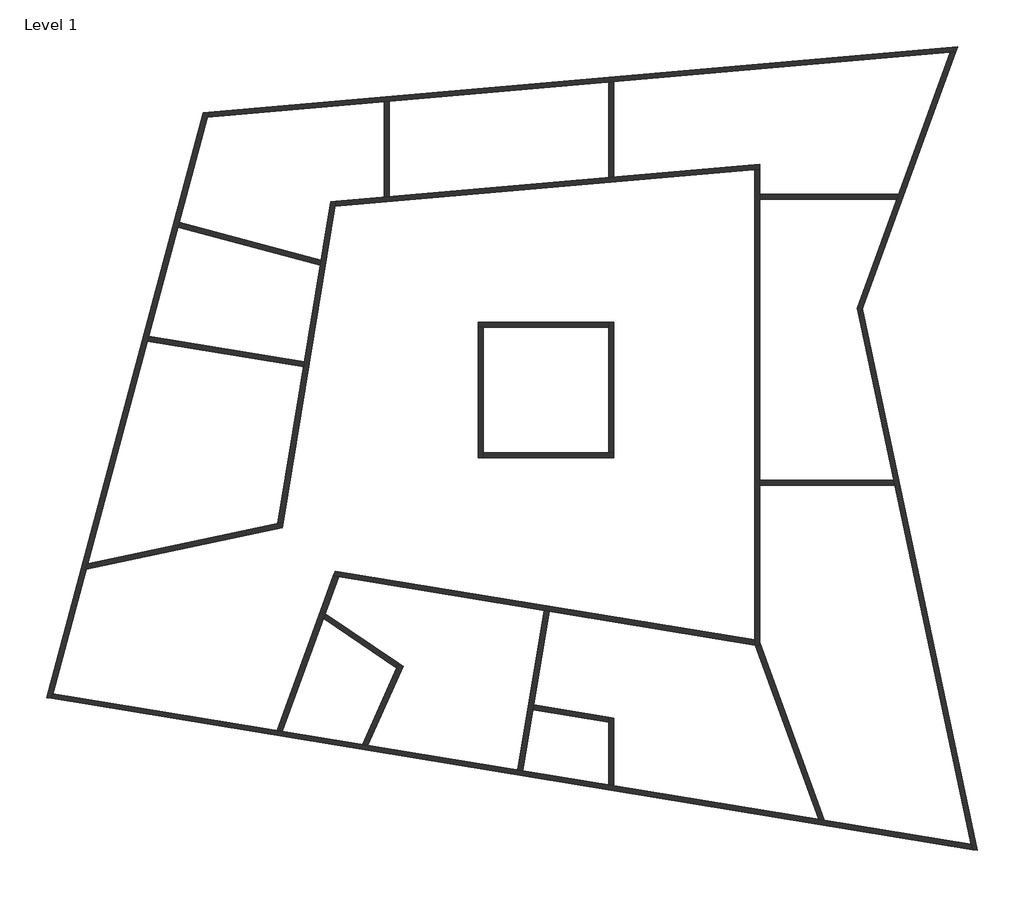
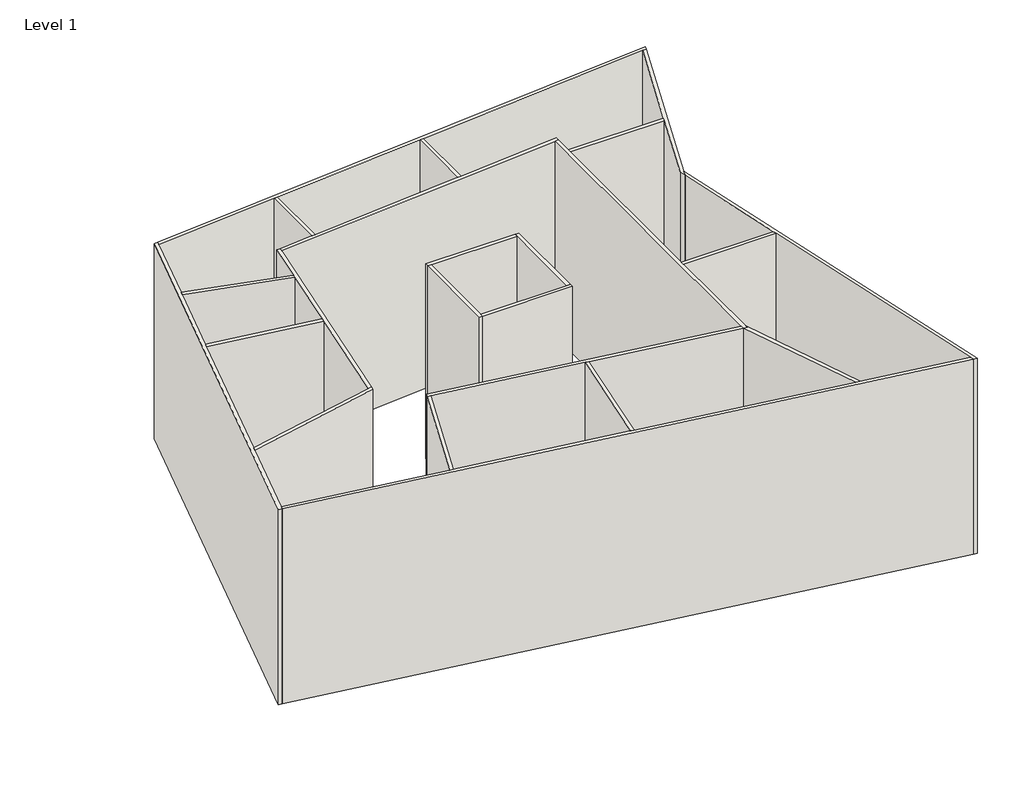
# One storey: 27 walls.
"""IFC4 building model written with IfcOpenShell, lengths in millimetres."""

from ifc_helpers import new_model, si_unit, origin, origin_with_axes, place, context, project, spatial, polyline, outline, extrude, faceted_brep, element, save

model = new_model("IFC4")

# Units and contexts
model_context = context("Model", 3, world=origin())
ifc_project = project(units=[si_unit("LENGTHUNIT", "METRE", prefix="MILLI")], contexts=[model_context])

# Site, building, storey
site = spatial("IfcSite", under=ifc_project)
building = spatial("IfcBuilding", under=site)
storey = spatial("IfcBuildingStorey", under=building, Name="Level 1", Elevation=0.0)

# Walls
placement = place(None, origin())
element("IfcWall", 1, ObjectType="Generic - 200mm", at=placement, inside=storey, context=model_context, shape_type="Brep", body=[
    faceted_brep([(-15740.1219298, -6609.067474, 0.0), (-15688.1029352, -6414.9299434, 0.0), (-14358.0065541, -1450.94267, 0.0), (-14299.910673, -1234.1258903, 0.0), (-11918.367673, 7653.9135862, 0.0), (-11866.3486785, 7848.0511167, 0.0), (-10697.9935126, 12208.4119573, 0.0), (-10646.2297035, 12401.5971226, 0.0), (-9523.1511787, 16592.9832383, 0.0), (-9468.0652837, 16798.5665971, 0.0), (-9468.0652837, 16798.5665971, 12000.0), (-9523.1511787, 16592.9832383, 12000.0), (-10646.2297035, 12401.5971226, 12000.0), (-10697.9935126, 12208.4119573, 12000.0), (-11866.3486785, 7848.0511167, 12000.0), (-11918.367673, 7653.9135862, 12000.0), (-14299.910673, -1234.1258903, 12000.0), (-14358.0065541, -1450.94267, 12000.0), (-15688.1029352, -6414.9299434, 12000.0), (-15740.1219298, -6609.067474, 12000.0), (-15938.453343, -6576.5097239, 0.0), (-15938.453343, -6576.5097239, 12000.0), (-9680.0909346, 16780.0167563, 12000.0), (-9680.0909346, 16780.0167563, 0.0)], [[[0, 1, 2, 3, 4, 5, 6, 7, 8, 9, 10, 11, 12, 13, 14, 15, 16, 17, 18, 19]], [[20, 21, 22, 23]], [[9, 8, 7, 6, 5, 4, 3, 2, 1, 0, 20, 23]], [[19, 18, 17, 16, 15, 14, 13, 12, 11, 10, 22, 21]], [[10, 9, 23, 22]], [[0, 19, 21, 20]]]),
])
element("IfcWall", 2, ObjectType="Generic - 200mm", at=placement, inside=storey, context=model_context, shape_type="Brep", body=[
    faceted_brep([(-9523.1511787, 16592.9832383, 0.0), (-2450.0877828, 17211.7961018, 0.0), (-2250.0877828, 17229.2938345, 0.0), (6496.245266, 17994.4988237, 0.0), (6696.245266, 18011.9965564, 0.0), (20136.5642154, 19187.8720987, 0.0), (20356.400062, 19207.1052431, 0.0), (20356.400062, 19207.1052431, 12000.0), (20136.5642154, 19187.8720987, 12000.0), (6696.245266, 18011.9965564, 12000.0), (6496.245266, 17994.4988237, 12000.0), (-2250.0877828, 17229.2938345, 12000.0), (-2450.0877828, 17211.7961018, 12000.0), (-9523.1511787, 16592.9832383, 12000.0), (-9468.0652837, 16798.5665971, 0.0), (-9468.0652837, 16798.5665971, 12000.0), (20431.8755568, 19414.4724608, 12000.0), (20431.8755568, 19414.4724608, 0.0)], [[[0, 1, 2, 3, 4, 5, 6, 7, 8, 9, 10, 11, 12, 13]], [[14, 15, 16, 17]], [[6, 5, 4, 3, 2, 1, 0, 14, 17]], [[13, 12, 11, 10, 9, 8, 7, 16, 15]], [[0, 13, 15, 14]], [[7, 6, 17, 16]]]),
])
element("IfcWall", 3, ObjectType="Generic - 200mm", at=placement, inside=storey, context=model_context, shape_type="Brep", body=[
    faceted_brep([(20136.5642154, 19187.8720987, 0.0), (18070.8740348, 13512.4349719, 0.0), (17998.0799879, 13312.4349719, 0.0), (16418.2217776, 8971.8102131, 0.0), (16418.2217776, 8971.8102131, 12000.0), (17998.0799879, 13312.4349719, 12000.0), (18070.8740348, 13512.4349719, 12000.0), (20136.5642154, 19187.8720987, 12000.0), (20356.400062, 19207.1052431, 0.0), (20356.400062, 19207.1052431, 12000.0), (16625.7748414, 8957.296689, 12000.0), (16496.6909728, 8602.6416749, 12000.0), (16496.6909728, 8602.6416749, 0.0), (16625.7748414, 8957.296689, 0.0)], [[[0, 1, 2, 3, 4, 5, 6, 7]], [[8, 9, 10, 11, 12, 13]], [[3, 2, 1, 0, 8, 13, 12]], [[7, 6, 5, 4, 11, 10, 9]], [[0, 7, 9, 8]], [[4, 3, 12, 11]]]),
])
element("IfcWall", 4, ObjectType="Generic - 200mm", at=placement, inside=storey, context=model_context, shape_type="Brep", body=[
    faceted_brep([(16496.6909728, 8602.6416749, 0.0), (17877.7531211, 2105.2551088, 0.0), (17920.2644335, 1905.2551088, 0.0), (20967.8063076, -12432.3021524, 0.0), (21012.4441537, -12642.3067068, 0.0), (21012.4441537, -12642.3067068, 12000.0), (20967.8063076, -12432.3021524, 12000.0), (17920.2644335, 1905.2551088, 12000.0), (17877.7531211, 2105.2551088, 12000.0), (16496.6909728, 8602.6416749, 12000.0), (16625.7748414, 8957.296689, 0.0), (16625.7748414, 8957.296689, 12000.0), (21224.3047074, -12677.0853778, 12000.0), (21224.3047074, -12677.0853778, 0.0)], [[[0, 1, 2, 3, 4, 5, 6, 7, 8, 9]], [[10, 11, 12, 13]], [[4, 3, 2, 1, 0, 10, 13]], [[9, 8, 7, 6, 5, 12, 11]], [[0, 9, 11, 10]], [[5, 4, 13, 12]]]),
])
element("IfcWall", 5, ObjectType="Generic - 200mm", at=placement, inside=storey, context=model_context, shape_type="Brep", body=[
    faceted_brep([(20967.8063076, -12432.3021524, 0.0), (15110.2637301, -11470.7378467, 0.0), (14883.9034332, -11433.5789223, 0.0), (6713.7756942, -10092.3845388, 0.0), (6513.7756942, -10059.5528763, 0.0), (3077.5221736, -9495.4632966, 0.0), (2880.1636993, -9463.0652625, 0.0), (-3110.0942162, -8479.7146309, 0.0), (-3314.1103433, -8446.2236877, 0.0), (-6527.1548024, -7918.7757309, 0.0), (-6727.9906671, -7885.8068543, 0.0), (-15688.1029352, -6414.9299434, 0.0), (-15688.1029352, -6414.9299434, 12000.0), (-6727.9906671, -7885.8068543, 12000.0), (-6527.1548024, -7918.7757309, 12000.0), (2880.1636993, -9463.0652625, 12000.0), (3077.5221736, -9495.4632966, 12000.0), (14883.9034332, -11433.5789223, 12000.0), (15110.2637301, -11470.7378467, 12000.0), (20967.8063076, -12432.3021524, 12000.0), (21012.4441537, -12642.3067068, 0.0), (21012.4441537, -12642.3067068, 12000.0), (-15740.1219298, -6609.067474, 12000.0), (-15740.1219298, -6609.067474, 0.0)], [[[0, 1, 2, 3, 4, 5, 6, 7, 8, 9, 10, 11, 12, 13, 14, 15, 16, 17, 18, 19]], [[20, 21, 22, 23]], [[11, 10, 9, 8, 7, 6, 5, 4, 3, 2, 1, 0, 20, 23]], [[19, 18, 17, 16, 15, 14, 13, 12, 22, 21]], [[12, 11, 23, 22]], [[0, 19, 21, 20]]]),
])
element("IfcWall", 6, ObjectType="Generic - 200mm", at=placement, inside=storey, context=model_context, shape_type="Brep", body=[
    faceted_brep([(-14358.0065541, -1450.94267, 0.0), (-6525.9449376, 213.813418, 0.0), (-6525.9449376, 213.813418, 12000.0), (-14358.0065541, -1450.94267, 12000.0), (-14299.910673, -1234.1258903, 0.0), (-14299.910673, -1234.1258903, 12000.0), (-6701.1708211, 381.0361257, 12000.0), (-6491.1662666, 425.6739717, 12000.0), (-6491.1662666, 425.6739717, 0.0), (-6701.1708211, 381.0361257, 0.0)], [[[0, 1, 2, 3]], [[4, 5, 6, 7, 8, 9]], [[1, 0, 4, 9, 8]], [[3, 2, 7, 6, 5]], [[0, 3, 5, 4]], [[2, 1, 8, 7]]]),
])
element("IfcWall", 7, ObjectType="Generic - 200mm", at=placement, inside=storey, context=model_context, shape_type="Brep", body=[
    faceted_brep([(-6491.1662666, 425.6739717, 0.0), (-4421.5892418, 13032.8760794, 0.0), (-4388.1519414, 13236.5654316, 0.0), (-4388.1519414, 13236.5654316, 12000.0), (-4421.5892418, 13032.8760794, 12000.0), (-6491.1662666, 425.6739717, 12000.0), (-6701.1708211, 381.0361257, 0.0), (-6701.1708211, 381.0361257, 12000.0), (-5675.5000245, 6629.0949671, 12000.0), (-5643.1019904, 6826.4534414, 12000.0), (-5009.809711, 10684.2677013, 12000.0), (-4977.2519609, 10882.5991145, 12000.0), (-4593.7820806, 13218.5751256, 12000.0), (-4593.7820806, 13218.5751256, 0.0), (-4977.2519609, 10882.5991145, 0.0), (-5009.809711, 10684.2677013, 0.0), (-5643.1019904, 6826.4534414, 0.0), (-5675.5000245, 6629.0949671, 0.0)], [[[0, 1, 2, 3, 4, 5]], [[6, 7, 8, 9, 10, 11, 12, 13, 14, 15, 16, 17]], [[2, 1, 0, 6, 17, 16, 15, 14, 13]], [[5, 4, 3, 12, 11, 10, 9, 8, 7]], [[0, 5, 7, 6]], [[3, 2, 13, 12]]]),
])
element("IfcWall", 8, ObjectType="Generic - 200mm", at=placement, inside=storey, context=model_context, shape_type="Brep", body=[
    faceted_brep([(-4421.5892418, 13032.8760794, 0.0), (12327.6242064, 14498.2423791, 0.0), (12527.6242064, 14515.7401118, 0.0), (12527.6242064, 14515.7401118, 12000.0), (12327.6242064, 14498.2423791, 12000.0), (-4421.5892418, 13032.8760794, 12000.0), (-4388.1519414, 13236.5654316, 0.0), (-4388.1519414, 13236.5654316, 12000.0), (-2450.0877828, 13406.1240747, 12000.0), (-2250.0877828, 13423.6218074, 12000.0), (6496.245266, 14188.8267966, 12000.0), (6696.245266, 14206.3245293, 12000.0), (12527.6242064, 14716.5040793, 12000.0), (12527.6242064, 14716.5040793, 0.0), (6696.245266, 14206.3245293, 0.0), (6496.245266, 14188.8267966, 0.0), (-2250.0877828, 13423.6218074, 0.0), (-2450.0877828, 13406.1240747, 0.0)], [[[0, 1, 2, 3, 4, 5]], [[6, 7, 8, 9, 10, 11, 12, 13, 14, 15, 16, 17]], [[2, 1, 0, 6, 17, 16, 15, 14, 13]], [[5, 4, 3, 12, 11, 10, 9, 8, 7]], [[0, 5, 7, 6]], [[3, 2, 13, 12]]]),
])
element("IfcWall", 9, ObjectType="Generic - 200mm", at=placement, inside=storey, context=model_context, shape_type="Brep", body=[
    faceted_brep([(12327.6242064, 14498.2423791, 0.0), (12327.6242064, -4274.8724991, 0.0), (12327.6242064, -4477.54938, 0.0), (12327.6242064, -4477.54938, 12000.0), (12327.6242064, -4274.8724991, 12000.0), (12327.6242064, 14498.2423791, 12000.0), (12527.6242064, 14515.7401118, 0.0), (12527.6242064, 14515.7401118, 12000.0), (12527.6242064, 13512.4349719, 12000.0), (12527.6242064, 13312.4349719, 12000.0), (12527.6242064, 2105.2551088, 12000.0), (12527.6242064, 1905.2551088, 12000.0), (12527.6242064, -4374.9940727, 12000.0), (12527.6242064, -4510.3810425, 12000.0), (12527.6242064, -4510.3810425, 0.0), (12527.6242064, -4374.9940727, 0.0), (12527.6242064, 1905.2551088, 0.0), (12527.6242064, 2105.2551088, 0.0), (12527.6242064, 13312.4349719, 0.0), (12527.6242064, 13512.4349719, 0.0), (12353.6720574, -4481.8253513, 0.0), (12353.6720574, -4481.8253513, 12000.0)], [[[0, 1, 2, 3, 4, 5]], [[6, 7, 8, 9, 10, 11, 12, 13, 14, 15, 16, 17, 18, 19]], [[2, 1, 0, 6, 19, 18, 17, 16, 15, 14, 20]], [[5, 4, 3, 21, 13, 12, 11, 10, 9, 8, 7]], [[0, 5, 7, 6]], [[3, 2, 20, 14, 13, 21]]]),
])
element("IfcWall", 10, ObjectType="Generic - 200mm", at=placement, inside=storey, context=model_context, shape_type="Brep", body=[
    faceted_brep([(12327.6242064, -4274.8724991, 0.0), (-4413.4594006, -1526.6844627, 0.0), (-4413.4594006, -1526.6844627, 12000.0), (12327.6242064, -4274.8724991, 12000.0), (12327.6242064, -4477.54938, 0.0), (12327.6242064, -4477.54938, 12000.0), (4122.369268, -3130.5885747, 12000.0), (3925.0107937, -3098.1905406, 12000.0), (-4282.2328206, -1750.9032776, 12000.0), (-4483.0686854, -1717.9344009, 12000.0), (-4483.0686854, -1717.9344009, 0.0), (-4282.2328206, -1750.9032776, 0.0), (3925.0107937, -3098.1905406, 0.0), (4122.369268, -3130.5885747, 0.0)], [[[0, 1, 2, 3]], [[4, 5, 6, 7, 8, 9, 10, 11, 12, 13]], [[1, 0, 4, 13, 12, 11, 10]], [[3, 2, 9, 8, 7, 6, 5]], [[0, 3, 5, 4]], [[2, 1, 10, 9]]]),
])
element("IfcWall", 11, ObjectType="Generic - 200mm", at=placement, inside=storey, context=model_context, shape_type="Brep", body=[
    faceted_brep([(-4483.0686854, -1717.9344009, 0.0), (-6727.9906671, -7885.8068543, 0.0), (-6727.9906671, -7885.8068543, 12000.0), (-4483.0686854, -1717.9344009, 12000.0), (-4282.2328206, -1750.9032776, 0.0), (-4282.2328206, -1750.9032776, 12000.0), (-6527.1548024, -7918.7757309, 12000.0), (-6527.1548024, -7918.7757309, 0.0), (-4888.9118919, -3417.7403268, 0.0), (-4818.4137677, -3224.0483223, 0.0)], [[[0, 1, 2, 3]], [[4, 5, 6, 7, 8, 9]], [[1, 0, 4, 9, 8, 7]], [[3, 2, 6, 5]], [[0, 3, 5, 4]], [[2, 1, 7, 6]]]),
])
element("IfcWall", 12, ObjectType="Generic - 200mm", at=placement, inside=storey, context=model_context, shape_type="Brep", body=[
    faceted_brep([(1288.8835924, 8212.4349719, 0.0), (1488.8835924, 8212.4349719, 0.0), (6496.245266, 8212.4349719, 0.0), (6496.245266, 8212.4349719, 12000.0), (1488.8835924, 8212.4349719, 12000.0), (1288.8835924, 8212.4349719, 12000.0), (1288.8835924, 8412.4349719, 0.0), (1288.8835924, 8412.4349719, 12000.0), (6496.245266, 8412.4349719, 12000.0), (6496.245266, 8412.4349719, 0.0)], [[[0, 1, 2, 3, 4, 5]], [[6, 7, 8, 9]], [[2, 1, 0, 6, 9]], [[5, 4, 3, 8, 7]], [[0, 5, 7, 6]], [[3, 2, 9, 8]]]),
])
element("IfcWall", 13, ObjectType="Generic - 200mm", at=placement, inside=storey, context=model_context, shape_type="Brep", body=[
    faceted_brep([(1488.8835924, 3005.2551088, 0.0), (1488.8835924, 3205.2551088, 0.0), (1488.8835924, 8212.4349719, 0.0), (1488.8835924, 8212.4349719, 12000.0), (1488.8835924, 3205.2551088, 12000.0), (1488.8835924, 3005.2551088, 12000.0), (1288.8835924, 3005.2551088, 0.0), (1288.8835924, 3005.2551088, 12000.0), (1288.8835924, 8212.4349719, 12000.0), (1288.8835924, 8212.4349719, 0.0)], [[[0, 1, 2, 3, 4, 5]], [[6, 7, 8, 9]], [[2, 1, 0, 6, 9]], [[5, 4, 3, 8, 7]], [[0, 5, 7, 6]], [[3, 2, 9, 8]]]),
])
element("IfcWall", 14, ObjectType="Generic - 200mm", at=placement, inside=storey, context=model_context, shape_type="Brep", body=[
    faceted_brep([(6696.245266, 3205.2551088, 0.0), (6496.245266, 3205.2551088, 0.0), (1488.8835924, 3205.2551088, 0.0), (1488.8835924, 3205.2551088, 12000.0), (6496.245266, 3205.2551088, 12000.0), (6696.245266, 3205.2551088, 12000.0), (6696.245266, 3005.2551088, 0.0), (6696.245266, 3005.2551088, 12000.0), (1488.8835924, 3005.2551088, 12000.0), (1488.8835924, 3005.2551088, 0.0)], [[[0, 1, 2, 3, 4, 5]], [[6, 7, 8, 9]], [[2, 1, 0, 6, 9]], [[5, 4, 3, 8, 7]], [[0, 5, 7, 6]], [[3, 2, 9, 8]]]),
])
element("IfcWall", 15, ObjectType="Generic - 200mm", at=placement, inside=storey, context=model_context, shape_type="Brep", body=[
    faceted_brep([(6496.245266, 8412.4349719, 0.0), (6496.245266, 8212.4349719, 0.0), (6496.245266, 3205.2551088, 0.0), (6496.245266, 3205.2551088, 12000.0), (6496.245266, 8212.4349719, 12000.0), (6496.245266, 8412.4349719, 12000.0), (6696.245266, 8412.4349719, 0.0), (6696.245266, 8412.4349719, 12000.0), (6696.245266, 3205.2551088, 12000.0), (6696.245266, 3205.2551088, 0.0)], [[[0, 1, 2, 3, 4, 5]], [[6, 7, 8, 9]], [[2, 1, 0, 6, 9]], [[5, 4, 3, 8, 7]], [[0, 5, 7, 6]], [[3, 2, 9, 8]]]),
])
element("IfcWall", 16, ObjectType="Generic - 200mm", at=placement, inside=storey, context=model_context, shape_type="SweptSolid", body=[
    extrude(outline(polyline([(-11866.3486785, 7848.0511167), (-5643.1019904, 6826.4534414), (-5675.5000245, 6629.0949671), (-11918.367673, 7653.9135862), (-11866.3486785, 7848.0511167)])), origin_with_axes(), (0.0, 0.0, 1.0), 12000.0),
])
element("IfcWall", 17, ObjectType="Generic - 200mm", at=placement, inside=storey, context=model_context, shape_type="SweptSolid", body=[
    extrude(outline(polyline([(-10646.2297035, 12401.5971226), (-4977.2519609, 10882.5991145), (-5009.809711, 10684.2677013), (-10697.9935126, 12208.4119573), (-10646.2297035, 12401.5971226)])), origin_with_axes(), (0.0, 0.0, 1.0), 12000.0),
])
element("IfcWall", 18, ObjectType="Generic - 200mm", at=placement, inside=storey, context=model_context, shape_type="SweptSolid", body=[
    extrude(outline(polyline([(-2250.0877828, 17229.2938345), (-2250.0877828, 13423.6218074), (-2450.0877828, 13406.1240747), (-2450.0877828, 17211.7961018), (-2250.0877828, 17229.2938345)])), origin_with_axes(), (0.0, 0.0, 1.0), 12000.0),
])
element("IfcWall", 19, ObjectType="Generic - 200mm", at=placement, inside=storey, context=model_context, shape_type="SweptSolid", body=[
    extrude(outline(polyline([(6696.245266, 18011.9965564), (6696.245266, 14206.3245293), (6496.245266, 14188.8267966), (6496.245266, 17994.4988237), (6696.245266, 18011.9965564)])), origin_with_axes(), (0.0, 0.0, 1.0), 12000.0),
])
element("IfcWall", 20, ObjectType="Generic - 200mm", at=placement, inside=storey, context=model_context, shape_type="SweptSolid", body=[
    extrude(outline(polyline([(17998.0799879, 13312.4349719), (12527.6242064, 13312.4349719), (12527.6242064, 13512.4349719), (18070.8740348, 13512.4349719), (17998.0799879, 13312.4349719)])), origin_with_axes(), (0.0, 0.0, 1.0), 12000.0),
])
element("IfcWall", 21, ObjectType="Generic - 200mm", at=placement, inside=storey, context=model_context, shape_type="SweptSolid", body=[
    extrude(outline(polyline([(17920.2644335, 1905.2551088), (12527.6242064, 1905.2551088), (12527.6242064, 2105.2551088), (17877.7531211, 2105.2551088), (17920.2644335, 1905.2551088)])), origin_with_axes(), (0.0, 0.0, 1.0), 12000.0),
])
element("IfcWall", 22, ObjectType="Generic - 200mm", at=placement, inside=storey, context=model_context, shape_type="SweptSolid", body=[
    extrude(outline(polyline([(14883.9034332, -11433.5789223), (12353.6720574, -4481.8253513), (12527.6242064, -4510.3810425), (12527.6242064, -4374.9940727), (15110.2637301, -11470.7378467), (14883.9034332, -11433.5789223)])), origin_with_axes(), (0.0, 0.0, 1.0), 12000.0),
])
element("IfcWall", 23, ObjectType="Generic - 200mm", at=placement, inside=storey, context=model_context, shape_type="Brep", body=[
    faceted_brep([(3925.0107937, -3098.1905406, 0.0), (2880.1636993, -9463.0652625, 0.0), (2880.1636993, -9463.0652625, 12000.0), (3925.0107937, -3098.1905406, 12000.0), (4122.369268, -3130.5885747, 0.0), (4122.369268, -3130.5885747, 12000.0), (3077.5221736, -9495.4632966, 12000.0), (3077.5221736, -9495.4632966, 0.0), (3476.720934, -7063.6719724, 0.0), (3509.1189681, -6866.3134981, 0.0)], [[[0, 1, 2, 3]], [[4, 5, 6, 7, 8, 9]], [[1, 0, 4, 9, 8, 7]], [[3, 2, 6, 5]], [[2, 1, 7, 6]], [[0, 3, 5, 4]]]),
])
element("IfcWall", 24, ObjectType="Generic - 200mm", at=placement, inside=storey, context=model_context, shape_type="Brep", body=[
    faceted_brep([(-3110.0942162, -8479.7146309, 0.0), (-1705.0859684, -5324.0144386, 0.0), (-1705.0859684, -5324.0144386, 8000.0), (-3110.0942162, -8479.7146309, 8000.0), (-3314.1103433, -8446.2236877, 0.0), (-3314.1103433, -8446.2236877, 8000.0), (-1956.0535733, -5395.9782413, 8000.0), (-1873.4513311, -5210.4505676, 8000.0), (-1873.4513311, -5210.4505676, 0.0), (-1956.0535733, -5395.9782413, 0.0)], [[[0, 1, 2, 3]], [[4, 5, 6, 7, 8, 9]], [[1, 0, 4, 9, 8]], [[3, 2, 7, 6, 5]], [[0, 3, 5, 4]], [[2, 1, 8, 7]]]),
])
element("IfcWall", 25, ObjectType="Generic - 200mm", at=placement, inside=storey, context=model_context, shape_type="SweptSolid", body=[
    extrude(outline(polyline([(-4818.4137677, -3224.0483223), (-1873.4513311, -5210.4505676), (-1956.0535733, -5395.9782413), (-4888.9118919, -3417.7403268), (-4818.4137677, -3224.0483223)])), origin_with_axes(), (0.0, 0.0, 1.0), 8000.0),
])
element("IfcWall", 26, ObjectType="Generic - 200mm", at=placement, inside=storey, context=model_context, shape_type="Brep", body=[
    faceted_brep([(6713.7756942, -10092.3845388, 0.0), (6713.7756942, -7392.3845388, 0.0), (6713.7756942, -7392.3845388, 8000.0), (6713.7756942, -10092.3845388, 8000.0), (6513.7756942, -10059.5528763, 0.0), (6513.7756942, -10059.5528763, 8000.0), (6513.7756942, -7562.2297572, 8000.0), (6513.7756942, -7359.5528763, 8000.0), (6513.7756942, -7359.5528763, 0.0), (6513.7756942, -7562.2297572, 0.0)], [[[0, 1, 2, 3]], [[4, 5, 6, 7, 8, 9]], [[1, 0, 4, 9, 8]], [[3, 2, 7, 6, 5]], [[0, 3, 5, 4]], [[2, 1, 8, 7]]]),
])
element("IfcWall", 27, ObjectType="Generic - 200mm", at=placement, inside=storey, context=model_context, shape_type="SweptSolid", body=[
    extrude(outline(polyline([(3509.1189681, -6866.3134981), (6513.7756942, -7359.5528763), (6513.7756942, -7562.2297572), (3476.720934, -7063.6719724), (3509.1189681, -6866.3134981)])), origin_with_axes(), (0.0, 0.0, 1.0), 8000.0),
])

save(model, "model.ifc")
